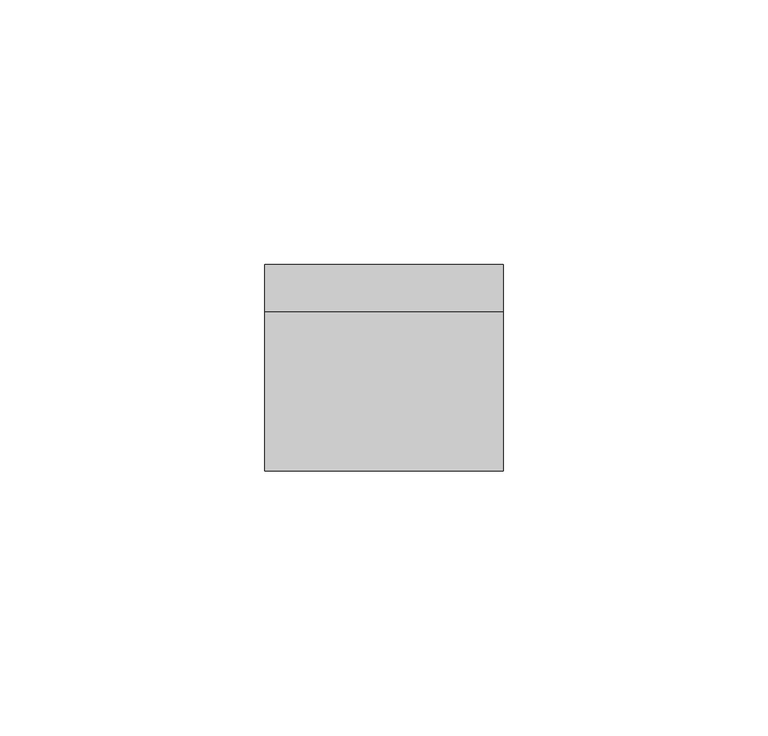
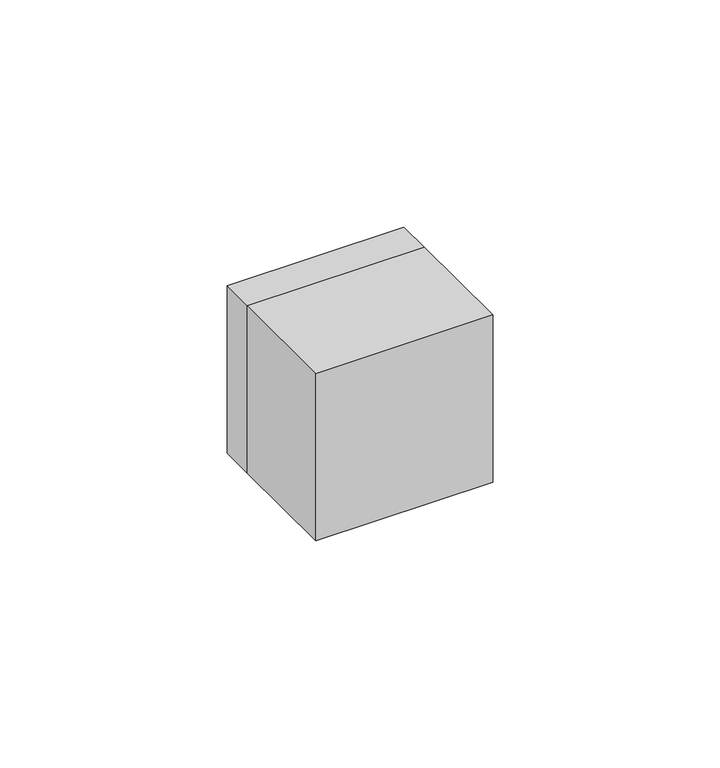
"""IFC4 building model written with IfcOpenShell, lengths in millimetres: electric appliance geometry."""

from ifc_helpers import new_model, si_unit, frame, origin, place, context, project, spatial, polyline, outline, extrude, source, transform, mapped, element, save


def electric_appliance_3ea7dd2e(model_context):
    return source(origin(), model_context, "Body", "SweptSolid", [
        extrude(outline(polyline([(5.0, 0.0), (-5.0, 0.0), (-5.0, 6.0), (5.0, 6.0), (5.0, 0.0)])), frame((0.0, 0.0, 4.0), z_axis=(0.0, 0.0, 1.0), x_axis=(1.0, 0.0, 0.0)), (0.0, 0.0, 1.0), 1.0),
        extrude(outline(polyline([(22.5, -30.0), (-22.5, -30.0), (-22.5, 0.0), (22.5, 0.0), (22.5, -30.0)])), frame((0.0, 0.0, -22.5), z_axis=(0.0, 0.0, 1.0), x_axis=(1.0, 0.0, 0.0)), (0.0, 0.0, 1.0), 45.0),
        extrude(outline(polyline([(22.5, 22.5), (22.5, -22.5), (-22.5, -22.5), (-22.5, 22.5), (22.5, 22.5)]), holes=[polyline([(-6.0, -6.5), (8.0, -6.5), (8.0, 6.5), (-6.0, 6.5), (-6.0, -6.5)])]), frame((0.0, 0.0, 0.0), z_axis=(0.0, 1.0, 0.0), x_axis=(0.0, 0.0, 1.0)), (0.0, 0.0, 1.0), 9.0),
        extrude(outline(polyline([(7.8, 6.3), (7.8, -6.3), (-5.8, -6.3), (-5.8, 6.3), (7.8, 6.3)]), holes=[polyline([(-5.0, 2.0037086), (-5.0, -2.0037086), (-3.5, -2.0037086), (-3.5, -4.5037086), (-2.0, -4.5037086), (-2.0, -6.0), (5.0, -6.0), (5.0, 6.0), (-2.0, 6.0), (-2.0, 4.5037086), (-3.5, 4.5037086), (-3.5, 2.0037086), (-5.0, 2.0037086)])]), frame((0.0, 0.0, 0.0), z_axis=(0.0, 1.0, 0.0), x_axis=(0.0, 0.0, 1.0)), (0.0, 0.0, 1.0), 9.0),
    ])


if __name__ == "__main__":
    model = new_model("IFC4")
    model_context = context("Model", 3, world=origin())
    ifc_project = project(units=[si_unit("LENGTHUNIT", "METRE", prefix="MILLI")], contexts=[model_context])
    site = spatial("IfcSite", under=ifc_project)
    building = spatial("IfcBuilding", under=site)
    placement = place(None, origin())
    electric_appliance_shape = electric_appliance_3ea7dd2e(model_context)
    element("IfcElectricAppliance", 1, at=placement, inside=building, context=model_context, shape_type="MappedRepresentation", body=[
        mapped(electric_appliance_shape, transform((0.0, 0.0, 0.0), x_axis=(1.0, 0.0, 0.0), y_axis=(0.0, 1.0, 0.0), z_axis=(0.0, 0.0, 1.0))),
    ])
    save(model, "model.ifc")
